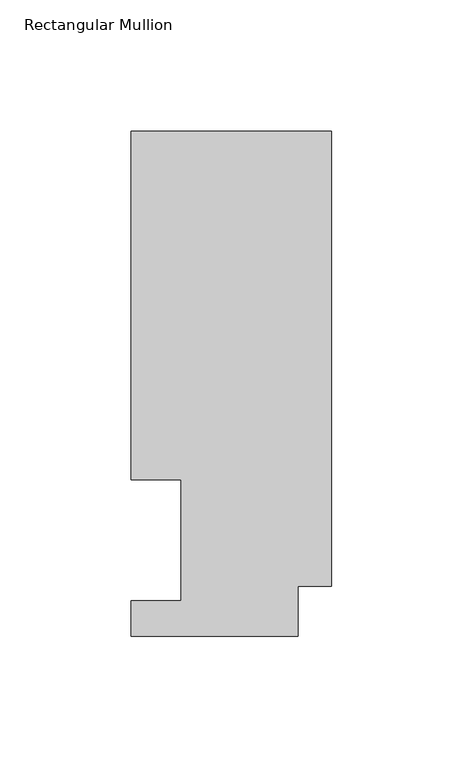
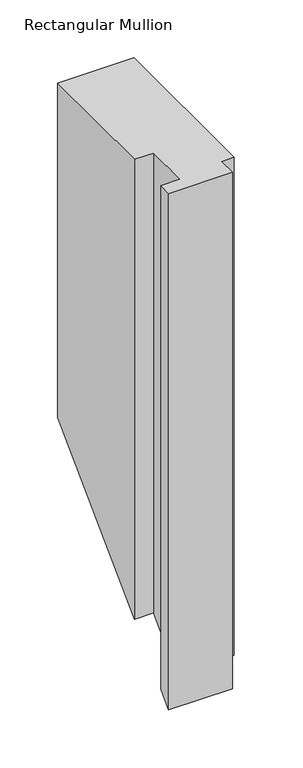
"""IFC4 building model written with IfcOpenShell, lengths in millimetres: member geometry, Rectangular Mullion."""

from ifc_helpers import new_model, si_unit, origin, place, context, project, spatial, faceted_brep, source, transform, mapped, element, save


def rectangular_mullion_8e46cfeb(model_context):
    return source(origin(), model_context, "Body", "Brep", [
        faceted_brep([(0.0, 192.09385, 0.0), (-76.2, 192.09385, 0.0), (-76.2, 59.53125, 0.0), (-57.1627, 59.53125, 0.0), (-57.1627, 13.50645, 0.0), (-76.2, 13.50645, 0.0), (-76.2, 0.04445, 0.0), (-12.7, 0.04445, 0.0), (-12.7, 19.06905, 0.0), (0.0, 19.06905, 0.0), (0.0, 192.09385, -352.9478167), (-76.2, 192.09385, -352.9478167), (-76.2, 59.53125, -485.5104167), (-57.1627, 59.53125, -485.5104167), (-57.1627, 13.50645, -531.5352167), (-76.2, 13.50645, -531.5352167), (-76.2, 0.04445, -544.9972167), (-12.7, 0.04445, -544.9972167), (-12.7, 19.06905, -525.9726167), (0.0, 19.06905, -525.9726167)], [[[0, 1, 2, 3, 4, 5, 6, 7, 8, 9]], [[1, 0, 10, 11]], [[2, 1, 11, 12]], [[3, 2, 12, 13]], [[4, 3, 13, 14]], [[5, 4, 14, 15]], [[6, 5, 15, 16]], [[7, 6, 16, 17]], [[8, 7, 17, 18]], [[9, 8, 18, 19]], [[0, 9, 19, 10]], [[10, 19, 18, 17, 16, 15, 14, 13, 12, 11]]]),
    ])


if __name__ == "__main__":
    model = new_model("IFC4")
    model_context = context("Model", 3, world=origin())
    ifc_project = project(units=[si_unit("LENGTHUNIT", "METRE", prefix="MILLI")], contexts=[model_context])
    site = spatial("IfcSite", under=ifc_project)
    building = spatial("IfcBuilding", under=site)
    placement = place(None, origin())
    rectangular_mullion_shape = rectangular_mullion_8e46cfeb(model_context)
    element("IfcMember", 1, ObjectType="Rectangular Mullion", at=placement, inside=building, context=model_context, shape_type="MappedRepresentation", body=[
        mapped(rectangular_mullion_shape, transform((0.0, 0.0, 0.0), x_axis=(1.0, 0.0, 0.0), y_axis=(0.0, 1.0, 0.0), z_axis=(0.0, 0.0, 1.0))),
    ])
    save(model, "model.ifc")
